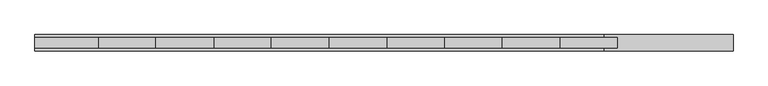
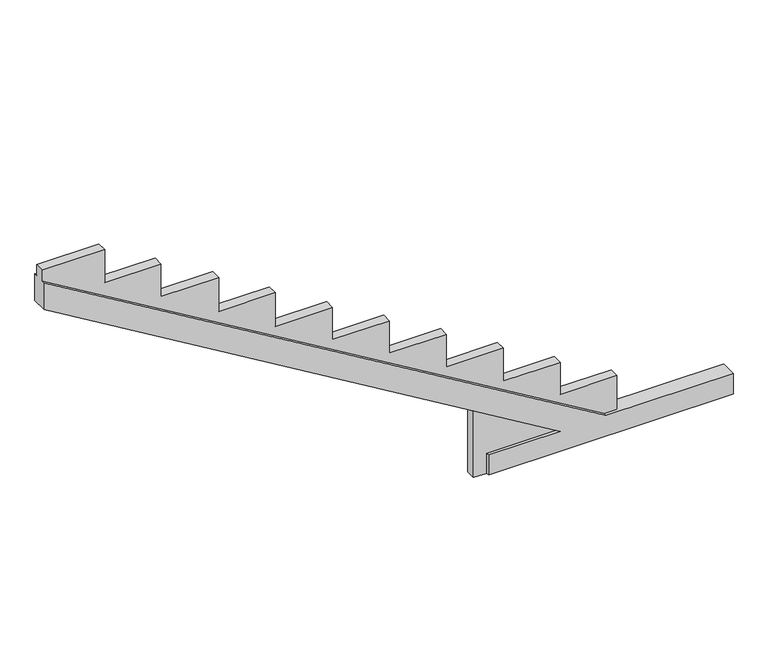
"""IFC4 building model written with IfcOpenShell, lengths in millimetres: beam geometry."""

from ifc_helpers import new_model, si_unit, origin, place, context, project, spatial, faceted_brep, source, transform, mapped, element, save


def beam_b5efbf0c(model_context):
    return source(origin(), model_context, "Body", "Brep", [
        faceted_brep([(-116834.6009984, 90704.8992101, -267.5034315), (-116834.6009984, 90704.8992101, -21.5699712), (-115996.333137, 90704.8992101, -21.5699712), (-122024.7370626, 90704.8992101, 3593.0784211), (-122024.7370626, 90704.8992101, 3922.8655611), (-115463.0015814, 90704.8992101, -11.5699712), (-113977.5921826, 90704.8992101, -11.5699712), (-113977.5921826, 90704.8992101, -267.5034315), (-116834.6009984, 90515.0490884, -267.5034315), (-113977.5921826, 90515.0490884, -267.5034315), (-113977.5921826, 90515.0490884, -11.5699712), (-115463.0015814, 90515.0490884, -11.5699712), (-122024.7370626, 90515.0490884, 3922.8655611), (-122024.7370626, 90515.0490884, 3593.0784211), (-115996.333137, 90515.0490884, -21.5699712), (-116834.6009984, 90515.0490884, -21.5699712), (-116834.6009984, 90552.9427838, -267.5034315), (-116990.4472391, 90552.9427838, -267.5034315), (-116990.4472391, 90670.077424, -267.5034315), (-116834.6009984, 90670.077424, -267.5034315), (-115463.0015814, 90670.077424, -11.5699712), (-115312.5001637, 90670.077424, -11.5699712), (-115312.5001637, 90552.9427838, -11.5699712), (-115463.0015814, 90552.9427838, -11.5699712), (-122024.7370626, 90670.077424, 3922.8655611), (-122024.7370626, 90552.9427838, 3922.8655611), (-122024.7370626, 90552.9427838, 4057.4153724), (-122024.7370626, 90670.077424, 4057.4153724), (-115996.333137, 90670.077424, -21.5699712), (-116990.4472391, 90670.077424, 574.5037135), (-116990.4472391, 90552.9427838, 574.5037135), (-115996.333137, 90552.9427838, -21.5699712), (-116834.6009984, 90670.077424, -21.5699712), (-116834.6009984, 90552.9427838, -21.5699712), (-121296.6802825, 90670.077424, 4057.4153724), (-121296.6802825, 90670.077424, 3652.4765953), (-120639.9096155, 90670.077424, 3652.4765953), (-120639.9096155, 90670.077424, 3248.7280705), (-119964.8148865, 90670.077424, 3248.7280705), (-119964.8148865, 90670.077424, 2828.2783254), (-119304.7457469, 90670.077424, 2828.2783254), (-119304.7457469, 90670.077424, 2412.8804107), (-118636.3000953, 90670.077424, 2412.8804107), (-118636.3000953, 90670.077424, 2012.4306656), (-117971.2050485, 90670.077424, 2012.4306656), (-117971.2050485, 90670.077424, 1613.7080561), (-117306.1360678, 90670.077424, 1613.7080561), (-117306.1360678, 90670.077424, 1209.9595313), (-116642.6902573, 90670.077424, 1209.9595313), (-116642.6902573, 90670.077424, 802.8863115), (-115977.5952105, 90670.077424, 802.8863115), (-115977.5952105, 90670.077424, 405.9167528), (-115312.5001637, 90670.077424, 405.9167528), (-115312.5001637, 90552.9427838, 405.9167528), (-115977.5952105, 90552.9427838, 405.9167528), (-115977.5952105, 90552.9427838, 802.8863115), (-116642.6902573, 90552.9427838, 802.8863115), (-116642.6902573, 90552.9427838, 1209.9595313), (-117306.1360678, 90552.9427838, 1209.9595313), (-117306.1360678, 90552.9427838, 1613.7080561), (-117971.2050485, 90552.9427838, 1613.7080561), (-117971.2050485, 90552.9427838, 2012.4306656), (-118636.3000953, 90552.9427838, 2012.4306656), (-118636.3000953, 90552.9427838, 2412.8804107), (-119304.7457469, 90552.9427838, 2412.8804107), (-119304.7457469, 90552.9427838, 2828.2783254), (-119964.8148865, 90552.9427838, 2828.2783254), (-119964.8148865, 90552.9427838, 3248.7280705), (-120639.9096155, 90552.9427838, 3248.7280705), (-120639.9096155, 90552.9427838, 3652.4765953), (-121296.6802825, 90552.9427838, 3652.4765953), (-121296.6802825, 90552.9427838, 4057.4153724)], [[[0, 1, 2, 3, 4, 5, 6, 7]], [[8, 9, 10, 11, 12, 13, 14, 15]], [[0, 7, 9, 8, 16, 17, 18, 19]], [[7, 6, 10, 9]], [[6, 5, 20, 21, 22, 23, 11, 10]], [[5, 4, 24, 20]], [[12, 11, 23, 25]], [[4, 3, 13, 12, 25, 26, 27, 24]], [[3, 2, 28, 29, 30, 31, 14, 13]], [[2, 1, 32, 28]], [[15, 14, 31, 33]], [[1, 0, 19, 32]], [[8, 15, 33, 16]], [[19, 18, 29, 28, 32]], [[27, 34, 35, 36, 37, 38, 39, 40, 41, 42, 43, 44, 45, 46, 47, 48, 49, 50, 51, 52, 21, 20, 24]], [[17, 16, 33, 31, 30]], [[22, 53, 54, 55, 56, 57, 58, 59, 60, 61, 62, 63, 64, 65, 66, 67, 68, 69, 70, 71, 26, 25, 23]], [[18, 17, 30, 29]], [[21, 52, 53, 22]], [[52, 51, 54, 53]], [[51, 50, 55, 54]], [[50, 49, 56, 55]], [[49, 48, 57, 56]], [[48, 47, 58, 57]], [[47, 46, 59, 58]], [[46, 45, 60, 59]], [[45, 44, 61, 60]], [[44, 43, 62, 61]], [[43, 42, 63, 62]], [[42, 41, 64, 63]], [[41, 40, 65, 64]], [[40, 39, 66, 65]], [[39, 38, 67, 66]], [[38, 37, 68, 67]], [[37, 36, 69, 68]], [[36, 35, 70, 69]], [[35, 34, 71, 70]], [[34, 27, 26, 71]]]),
    ])


if __name__ == "__main__":
    model = new_model("IFC4")
    model_context = context("Model", 3, world=origin())
    ifc_project = project(units=[si_unit("LENGTHUNIT", "METRE", prefix="MILLI")], contexts=[model_context])
    site = spatial("IfcSite", under=ifc_project)
    building = spatial("IfcBuilding", under=site)
    placement = place(None, origin())
    beam_shape = beam_b5efbf0c(model_context)
    element("IfcBeam", 1, at=placement, inside=building, context=model_context, shape_type="MappedRepresentation", body=[
        mapped(beam_shape, transform((0.0, 0.0, 0.0), x_axis=(1.0, 0.0, 0.0), y_axis=(0.0, 1.0, 0.0), z_axis=(0.0, 0.0, 1.0))),
    ])
    save(model, "model.ifc")
